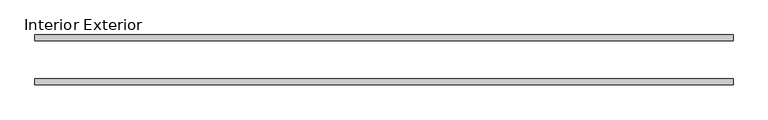
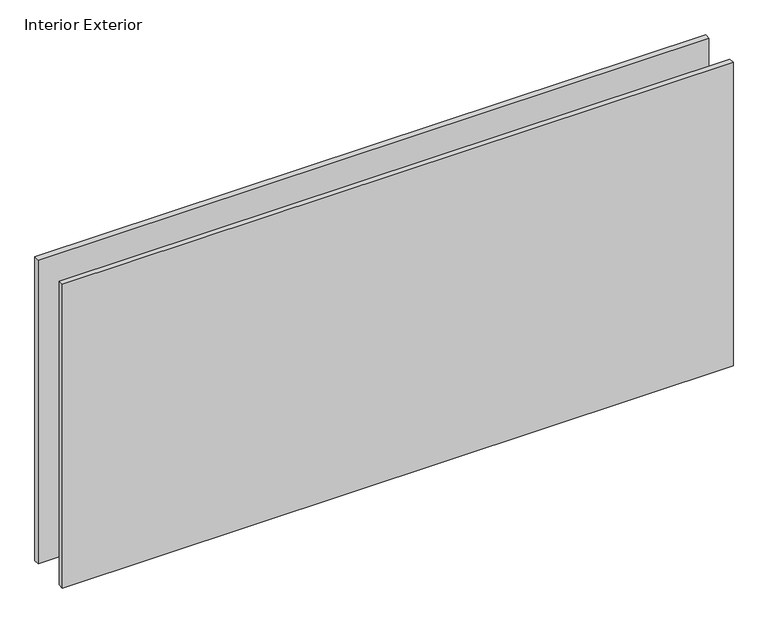
"""IFC4 building model written with IfcOpenShell, lengths in millimetres: plate geometry, Interior Exterior."""

from ifc_helpers import new_model, si_unit, origin, origin_with_axes, place, context, project, spatial, polyline, outline, extrude, source, transform, mapped, element, save


def interior_exterior_b953cc26(model_context):
    return source(origin(), model_context, "Body", "SweptSolid", [
        extrude(outline(polyline([(568.325, -41.275), (-592.1375, -41.275), (-592.1375, -31.75), (568.325, -31.75), (568.325, -41.275)])), origin_with_axes(), (0.0, 0.0, 1.0), 555.625),
        extrude(outline(polyline([(568.325, 41.275), (568.325, 31.75), (-592.1375, 31.75), (-592.1375, 41.275), (568.325, 41.275)])), origin_with_axes(), (0.0, 0.0, 1.0), 555.625),
    ])


if __name__ == "__main__":
    model = new_model("IFC4")
    model_context = context("Model", 3, world=origin())
    ifc_project = project(units=[si_unit("LENGTHUNIT", "METRE", prefix="MILLI")], contexts=[model_context])
    site = spatial("IfcSite", under=ifc_project)
    building = spatial("IfcBuilding", under=site)
    placement = place(None, origin())
    interior_exterior_shape = interior_exterior_b953cc26(model_context)
    element("IfcPlate", 1, ObjectType="Interior Exterior", at=placement, inside=building, context=model_context, shape_type="MappedRepresentation", body=[
        mapped(interior_exterior_shape, transform((0.0, 0.0, 0.0), x_axis=(1.0, 0.0, 0.0), y_axis=(0.0, 1.0, 0.0), z_axis=(0.0, 0.0, 1.0))),
    ])
    save(model, "model.ifc")
